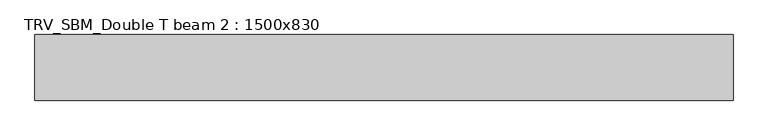
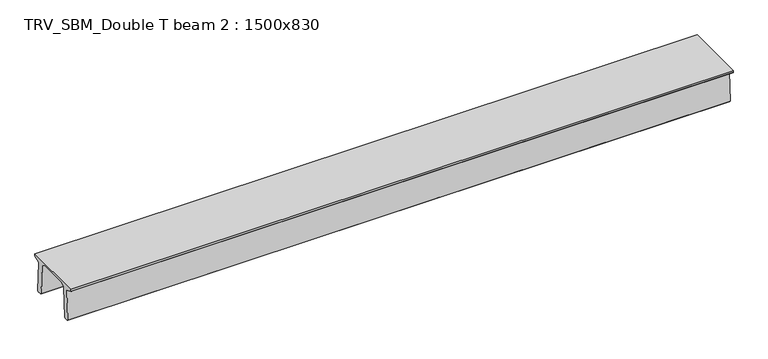
"""IFC4 building model written with IfcOpenShell, lengths in millimetres: beam geometry, TRV_SBM_Double T beam 2 : 1500x830."""

from ifc_helpers import new_model, si_unit, frame, origin, place, context, project, spatial, polyline, outline, extrude, source, transform, mapped, element, save


def trv_sbm_double_t_beam_2_1500x830_ffc2daff(model_context):
    return source(origin(), model_context, "Body", "SweptSolid", [
        extrude(outline(polyline([(337.4555014, 470.0), (-343.4555014, 470.0), (-456.5828437, 409.8491251), (-494.786332, -340.5206011), (-514.2657308, -360.0), (-604.2657308, -360.0), (-624.8277662, -339.4379646), (-586.9373878, 401.9654693), (-752.8511046, 468.9989621), (-753.0, 475.0), (-753.0, 520.0), (747.0, 520.0), (747.0, 475.0), (746.8511046, 468.9989621), (580.9373878, 401.9654693), (618.8277662, -339.4379646), (598.2657308, -360.0), (508.2657308, -360.0), (488.786332, -340.5206011), (450.5828437, 409.8491251), (337.4555014, 470.0)])), frame((-7978.5, 0.0, 0.0), z_axis=(1.0, 0.0, 0.0), x_axis=(0.0, 1.0, 0.0)), (0.0, 0.0, 1.0), 15957.0),
    ])


if __name__ == "__main__":
    model = new_model("IFC4")
    model_context = context("Model", 3, world=origin())
    ifc_project = project(units=[si_unit("LENGTHUNIT", "METRE", prefix="MILLI")], contexts=[model_context])
    site = spatial("IfcSite", under=ifc_project)
    building = spatial("IfcBuilding", under=site)
    placement = place(None, origin())
    trv_sbm_double_t_beam_2_1500x830_shape = trv_sbm_double_t_beam_2_1500x830_ffc2daff(model_context)
    element("IfcBeam", 1, ObjectType="TRV_SBM_Double T beam 2 : 1500x830", at=placement, inside=building, context=model_context, shape_type="MappedRepresentation", body=[
        mapped(trv_sbm_double_t_beam_2_1500x830_shape, transform((0.0, 0.0, 0.0), x_axis=(1.0, 0.0, 0.0), y_axis=(0.0, 1.0, 0.0), z_axis=(0.0, 0.0, 1.0))),
    ])
    save(model, "model.ifc")
